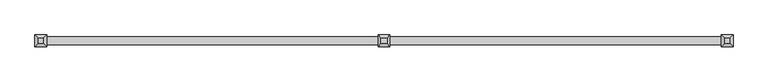
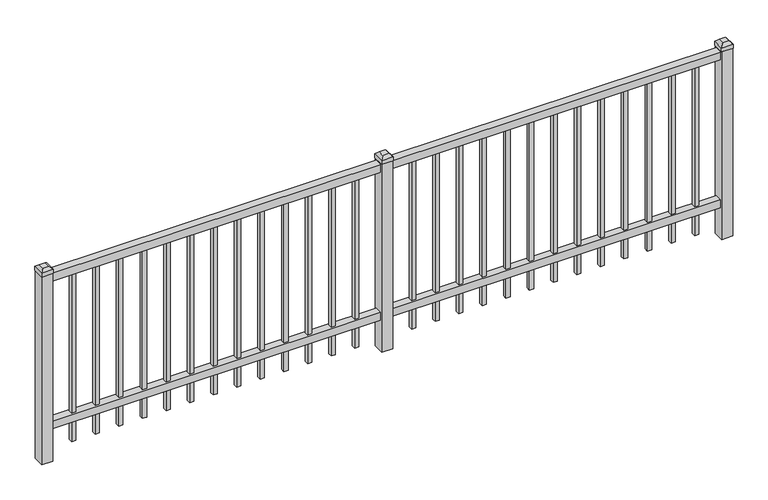
"""IFC4 building model written with IfcOpenShell, lengths in millimetres: railing geometry."""

import ifcopenshell
import ifcopenshell.guid

model = None  # the IFC model being written
_history = None  # IfcOwnerHistory: only IFC2X3 demands one
_inside = {}  # id of a spatial element -> (the spatial element, [elements in it])
_under = {}  # id of a project, library or spatial element -> (it, [spatial elements below it])
_declared = {}  # id of a project -> (the project, [libraries it declares])
_typed = {}  # id of a type object -> (the type object, [elements of that type])
_made_of = {}  # id of a material, layer set ... -> (it, [elements and type objects made of it])


def new_model(schema):
    """Start an empty IFC model of exactly this schema.

    Asked for "IFC4X3", IfcOpenShell would pick the latest addendum, in which some entities
    have other attributes; the version numbers below select the first issue.
    IFC2X3 requires an IfcOwnerHistory on every rooted entity: one is made here for all.
    """
    global model, _history
    if schema == "IFC4X3":
        model = ifcopenshell.file(schema_version=(4, 3, 0, 0))
    else:
        model = ifcopenshell.file(schema=schema)
    _inside.clear()
    _under.clear()
    _declared.clear()
    _typed.clear()
    _made_of.clear()
    _history = None
    if model.schema == "IFC2X3":
        org = make("IfcOrganization", Name="unknown")
        user = make(
            "IfcPersonAndOrganization",
            ThePerson=make("IfcPerson", FamilyName="unknown"),
            TheOrganization=org,
        )
        app = make(
            "IfcApplication",
            ApplicationDeveloper=org,
            Version="unknown",
            ApplicationFullName="unknown",
            ApplicationIdentifier="unknown",
        )
        _history = make(
            "IfcOwnerHistory",
            OwningUser=user,
            OwningApplication=app,
            ChangeAction="ADDED",
            CreationDate=0,
        )
    return model


def make(cls, **values):
    """One entity of the class cls with the attributes given. An attribute that is None is left unset."""
    return model.create_entity(
        cls, **{name: value for name, value in values.items() if value is not None}
    )


def rooted(cls, **values):
    """An entity with a GlobalId (a new one), such as an element, a storey or a relation."""
    return make(cls, GlobalId=ifcopenshell.guid.new(), OwnerHistory=_history, **values)


def si_unit(unit_type, name, prefix=None):
    """IfcSIUnit, for example si_unit("LENGTHUNIT", "METRE", prefix="MILLI")."""
    return make("IfcSIUnit", UnitType=unit_type, Prefix=prefix, Name=name)


def assignment(units):
    """IfcUnitAssignment: the units of a project."""
    return None if units is None else make("IfcUnitAssignment", Units=units)


def point(xyz):
    """IfcCartesianPoint."""
    return None if xyz is None else make("IfcCartesianPoint", Coordinates=xyz)


def direction(xyz):
    """IfcDirection."""
    return None if xyz is None else make("IfcDirection", DirectionRatios=xyz)


def frame(location, z_axis=None, x_axis=None):
    """IfcAxis2Placement3D, a coordinate frame: its origin and axes. An axis left out is left unset."""
    return make(
        "IfcAxis2Placement3D",
        Location=point(location),
        Axis=direction(z_axis),
        RefDirection=direction(x_axis),
    )


def origin():
    """The frame at (0, 0, 0) with its axes left unset."""
    return frame((0.0, 0.0, 0.0))


def origin_with_axes():
    """The frame at (0, 0, 0) with the z axis (0, 0, 1) and the x axis (1, 0, 0) written out."""
    return frame((0.0, 0.0, 0.0), z_axis=(0.0, 0.0, 1.0), x_axis=(1.0, 0.0, 0.0))


def place(relative_to, where):
    """IfcLocalPlacement: puts the frame where relative to a parent placement (None: the world)."""
    return make(
        "IfcLocalPlacement", PlacementRelTo=relative_to, RelativePlacement=where
    )


def context(
    kind, dimensions, precision=None, world=None, true_north=None, identifier=None
):
    """IfcGeometricRepresentationContext, for example the 3D "Model" context."""
    return make(
        "IfcGeometricRepresentationContext",
        ContextIdentifier=identifier,
        ContextType=kind,
        CoordinateSpaceDimension=dimensions,
        Precision=precision,
        WorldCoordinateSystem=world,
        TrueNorth=true_north,
    )


def project(units=None, contexts=None):
    """IfcProject with its units and contexts."""
    return rooted(
        "IfcProject",
        Name="project",
        RepresentationContexts=contexts,
        UnitsInContext=assignment(units),
    )


def spatial(cls, under=None, at=None, **own):
    """A site, building, storey or space (cls), placed at a placement, below another one or the project."""
    s = rooted(cls, ObjectPlacement=at, **own)
    if under is not None:
        _under.setdefault(under.id(), (under, []))[1].append(s)
    return s


def polyline(points):
    """IfcPolyline through the points."""
    return make("IfcPolyline", Points=[point(p) for p in points])


def outline(outer, holes=None, kind="AREA"):
    """IfcArbitraryClosedProfileDef: a profile drawn as a closed curve; with holes, ...WithVoids."""
    if holes is None:
        return make("IfcArbitraryClosedProfileDef", ProfileType=kind, OuterCurve=outer)
    return make(
        "IfcArbitraryProfileDefWithVoids",
        ProfileType=kind,
        OuterCurve=outer,
        InnerCurves=holes,
    )


def extrude(swept, where, along, depth):
    """IfcExtrudedAreaSolid: the profile swept, set in the frame where, extruded along a direction by depth."""
    return make(
        "IfcExtrudedAreaSolid",
        SweptArea=swept,
        Position=where,
        ExtrudedDirection=direction(along),
        Depth=depth,
    )


def faces_of(points, faces, orient=None, outer=None):
    """IfcFace entities. A face is a list of loops; a loop is a list of indices into points, from 0.

    orient and outer hold one flag for each loop. By default every Orientation is true, the
    first loop of a face is its IfcFaceOuterBound and the others are IfcFaceBound.
    """
    made = []
    for i, loops in enumerate(faces):
        bounds = []
        for j, loop in enumerate(loops):
            is_outer = j == 0 if outer is None else outer[i][j]
            bounds.append(
                make(
                    "IfcFaceOuterBound" if is_outer else "IfcFaceBound",
                    Bound=make("IfcPolyLoop", Polygon=[points[k] for k in loop]),
                    Orientation=True if orient is None else orient[i][j],
                )
            )
        made.append(make("IfcFace", Bounds=bounds))
    return made


def faceted_brep(points, faces, orient=None, outer=None, voids=None):
    """IfcFacetedBrep: a solid bounded by flat faces; with voids (closed shells), ...WithVoids."""
    shared = [point(p) for p in points]
    hull = make("IfcClosedShell", CfsFaces=faces_of(shared, faces, orient, outer))
    if voids is None:
        return make("IfcFacetedBrep", Outer=hull)
    return make(
        "IfcFacetedBrepWithVoids",
        Outer=hull,
        Voids=[
            make(cls, CfsFaces=faces_of(shared, fs, o, b)) for cls, fs, o, b in voids
        ],
    )


def shape(context_of_items, identifier, shape_type, items):
    """IfcShapeRepresentation: the items that make up one representation, for example the "Body"."""
    return make(
        "IfcShapeRepresentation",
        ContextOfItems=context_of_items,
        RepresentationIdentifier=identifier,
        RepresentationType=shape_type,
        Items=items,
    )


def source(mapping_origin, context_of_items, identifier, shape_type, items):
    """IfcRepresentationMap: a shape defined once, which mapped items show again and again."""
    return make(
        "IfcRepresentationMap",
        MappingOrigin=mapping_origin,
        MappedRepresentation=shape(context_of_items, identifier, shape_type, items),
    )


def transform(
    local_origin,
    x_axis=None,
    y_axis=None,
    z_axis=None,
    scale=None,
    scale2=None,
    scale3=None,
    uniform=True,
):
    """IfcCartesianTransformationOperator3D, or its non-uniform kind. x_axis, y_axis, z_axis: its Axis1, 2, 3."""
    if uniform:
        return make(
            "IfcCartesianTransformationOperator3D",
            Axis1=direction(x_axis),
            Axis2=direction(y_axis),
            LocalOrigin=point(local_origin),
            Scale=scale,
            Axis3=direction(z_axis),
        )
    return make(
        "IfcCartesianTransformationOperator3DnonUniform",
        Axis1=direction(x_axis),
        Axis2=direction(y_axis),
        LocalOrigin=point(local_origin),
        Scale=scale,
        Axis3=direction(z_axis),
        Scale2=scale2,
        Scale3=scale3,
    )


def mapped(mapping_source, mapping_target):
    """IfcMappedItem: shows the shape of a source again, moved by a transform."""
    return make(
        "IfcMappedItem", MappingSource=mapping_source, MappingTarget=mapping_target
    )


def made_of(thing, what):
    """Note that an element or type object is made of a material, layer set ...; save() writes the relation."""
    if what is not None:
        _made_of.setdefault(what.id(), (what, []))[1].append(thing)
    return thing


def element(
    cls,
    number,
    at=None,
    inside=None,
    cuts=None,
    type_object=None,
    material=None,
    context=None,
    identifier="Body",
    shape_type=None,
    held_by="IfcProductDefinitionShape",
    body=None,
    shapes=None,
    **own,
):
    """One element of the class cls, such as IfcWall. Its Tag is "e" and its number.

    at: its placement. inside: the storey or other place that contains it. cuts: it is an
    opening in that element (IfcRelVoidsElement). A single representation is given by context,
    identifier, shape_type and body (its items); several are given by shapes. held_by: the class
    of the entity that holds the representations. save() writes the other relations.
    """
    e = rooted(cls, Tag="e%d" % number, ObjectPlacement=at, **own)
    if body is not None:
        shapes = [shape(context, identifier, shape_type, body)]
    if shapes is not None:
        e.Representation = make(held_by, Representations=shapes)
    if inside is not None:
        _inside.setdefault(inside.id(), (inside, []))[1].append(e)
    if cuts is not None:
        rooted(
            "IfcRelVoidsElement", RelatingBuildingElement=cuts, RelatedOpeningElement=e
        )
    if type_object is not None:
        _typed.setdefault(type_object.id(), (type_object, []))[1].append(e)
    return made_of(e, material)


def aggregate(whole, parts):
    """IfcRelAggregates: a whole, such as a stair, and the parts it consists of."""
    return rooted("IfcRelAggregates", RelatingObject=whole, RelatedObjects=parts)


def save(model, path):
    """Write the relations noted so far, then the file.

    IfcRelAggregates (storeys below a building ...), IfcRelContainedInSpatialStructure (elements
    in a storey), IfcRelDefinesByType, IfcRelAssociatesMaterial and IfcRelDeclares: one each for
    every whole, place, type object, material and project.
    """
    for whole, parts in _under.values():
        aggregate(whole, parts)
    for where, things in _inside.values():
        rooted(
            "IfcRelContainedInSpatialStructure",
            RelatedElements=things,
            RelatingStructure=where,
        )
    for kind, things in _typed.values():
        rooted("IfcRelDefinesByType", RelatedObjects=things, RelatingType=kind)
    for what, things in _made_of.values():
        rooted("IfcRelAssociatesMaterial", RelatedObjects=things, RelatingMaterial=what)
    for by, libraries in _declared.values():
        rooted("IfcRelDeclares", RelatingContext=by, RelatedDefinitions=libraries)
    model.write(path)


def railing_d41b022b(model_context):
    return source(origin(), model_context, "Body", "SolidModel", [
        extrude(outline(polyline([(-91799.918087, 5443.2804826), (-91799.918087, 5478.2054826), (-88650.318087, 5478.2054826), (-88650.318087, 5443.2804826), (-91799.918087, 5443.2804826)])), frame((0.0, 0.0, 876.3), z_axis=(0.0, 0.0, 1.0), x_axis=(1.0, 0.0, 0.0)), (0.0, 0.0, 1.0), 38.1),
        extrude(outline(polyline([(-91799.918087, 5443.2804826), (-91799.918087, 5478.2054826), (-88650.318087, 5478.2054826), (-88650.318087, 5443.2804826), (-91799.918087, 5443.2804826)])), frame((0.0, 0.0, 152.4), z_axis=(0.0, 0.0, 1.0), x_axis=(1.0, 0.0, 0.0)), (0.0, 0.0, 1.0), 38.1),
        extrude(outline(polyline([(-88881.8285036, 5470.2679826), (-88881.8285036, 5451.2179826), (-88900.8785036, 5451.2179826), (-88900.8785036, 5470.2679826), (-88881.8285036, 5470.2679826)])), frame((0.0, 0.0, 50.8), z_axis=(0.0, 0.0, 1.0), x_axis=(1.0, 0.0, 0.0)), (0.0, 0.0, 1.0), 825.5),
        extrude(outline(polyline([(-88991.1014203, 5470.2679826), (-88991.1014203, 5451.2179826), (-89010.1514203, 5451.2179826), (-89010.1514203, 5470.2679826), (-88991.1014203, 5470.2679826)])), frame((0.0, 0.0, 50.8), z_axis=(0.0, 0.0, 1.0), x_axis=(1.0, 0.0, 0.0)), (0.0, 0.0, 1.0), 825.5),
        extrude(outline(polyline([(-89100.374337, 5470.2679826), (-89100.374337, 5451.2179826), (-89119.424337, 5451.2179826), (-89119.424337, 5470.2679826), (-89100.374337, 5470.2679826)])), frame((0.0, 0.0, 50.8), z_axis=(0.0, 0.0, 1.0), x_axis=(1.0, 0.0, 0.0)), (0.0, 0.0, 1.0), 825.5),
        extrude(outline(polyline([(-89209.6472536, 5470.2679826), (-89209.6472536, 5451.2179826), (-89228.6972536, 5451.2179826), (-89228.6972536, 5470.2679826), (-89209.6472536, 5470.2679826)])), frame((0.0, 0.0, 50.8), z_axis=(0.0, 0.0, 1.0), x_axis=(1.0, 0.0, 0.0)), (0.0, 0.0, 1.0), 825.5),
        extrude(outline(polyline([(-89318.9201703, 5470.2679826), (-89318.9201703, 5451.2179826), (-89337.9701703, 5451.2179826), (-89337.9701703, 5470.2679826), (-89318.9201703, 5470.2679826)])), frame((0.0, 0.0, 50.8), z_axis=(0.0, 0.0, 1.0), x_axis=(1.0, 0.0, 0.0)), (0.0, 0.0, 1.0), 825.5),
        extrude(outline(polyline([(-89428.193087, 5470.2679826), (-89428.193087, 5451.2179826), (-89447.243087, 5451.2179826), (-89447.243087, 5470.2679826), (-89428.193087, 5470.2679826)])), frame((0.0, 0.0, 50.8), z_axis=(0.0, 0.0, 1.0), x_axis=(1.0, 0.0, 0.0)), (0.0, 0.0, 1.0), 825.5),
        extrude(outline(polyline([(-89537.4660036, 5470.2679826), (-89537.4660036, 5451.2179826), (-89556.5160036, 5451.2179826), (-89556.5160036, 5470.2679826), (-89537.4660036, 5470.2679826)])), frame((0.0, 0.0, 50.8), z_axis=(0.0, 0.0, 1.0), x_axis=(1.0, 0.0, 0.0)), (0.0, 0.0, 1.0), 825.5),
        extrude(outline(polyline([(-89646.7389203, 5470.2679826), (-89646.7389203, 5451.2179826), (-89665.7889203, 5451.2179826), (-89665.7889203, 5470.2679826), (-89646.7389203, 5470.2679826)])), frame((0.0, 0.0, 50.8), z_axis=(0.0, 0.0, 1.0), x_axis=(1.0, 0.0, 0.0)), (0.0, 0.0, 1.0), 825.5),
        extrude(outline(polyline([(-89756.011837, 5470.2679826), (-89756.011837, 5451.2179826), (-89775.061837, 5451.2179826), (-89775.061837, 5470.2679826), (-89756.011837, 5470.2679826)])), frame((0.0, 0.0, 50.8), z_axis=(0.0, 0.0, 1.0), x_axis=(1.0, 0.0, 0.0)), (0.0, 0.0, 1.0), 825.5),
        extrude(outline(polyline([(-89865.2847536, 5470.2679826), (-89865.2847536, 5451.2179826), (-89884.3347536, 5451.2179826), (-89884.3347536, 5470.2679826), (-89865.2847536, 5470.2679826)])), frame((0.0, 0.0, 50.8), z_axis=(0.0, 0.0, 1.0), x_axis=(1.0, 0.0, 0.0)), (0.0, 0.0, 1.0), 825.5),
        extrude(outline(polyline([(-89974.5576703, 5470.2679826), (-89974.5576703, 5451.2179826), (-89993.6076703, 5451.2179826), (-89993.6076703, 5470.2679826), (-89974.5576703, 5470.2679826)])), frame((0.0, 0.0, 50.8), z_axis=(0.0, 0.0, 1.0), x_axis=(1.0, 0.0, 0.0)), (0.0, 0.0, 1.0), 825.5),
        extrude(outline(polyline([(-88772.555587, 5470.2679826), (-88772.555587, 5451.2179826), (-88791.605587, 5451.2179826), (-88791.605587, 5470.2679826), (-88772.555587, 5470.2679826)])), frame((0.0, 0.0, 50.8), z_axis=(0.0, 0.0, 1.0), x_axis=(1.0, 0.0, 0.0)), (0.0, 0.0, 1.0), 825.5),
        extrude(outline(polyline([(-90083.830587, 5470.2679826), (-90083.830587, 5451.2179826), (-90102.880587, 5451.2179826), (-90102.880587, 5470.2679826), (-90083.830587, 5470.2679826)])), frame((0.0, 0.0, 50.8), z_axis=(0.0, 0.0, 1.0), x_axis=(1.0, 0.0, 0.0)), (0.0, 0.0, 1.0), 825.5),
        faceted_brep([(-90252.105587, 5487.7304826, 939.8), (-90252.105587, 5487.7304826, 920.75), (-90252.105587, 5433.7554826, 920.75), (-90252.105587, 5433.7554826, 939.8), (-90239.405587, 5475.0304826, 952.5), (-90239.405587, 5446.4554826, 952.5), (-90198.130587, 5433.7554826, 920.75), (-90198.130587, 5433.7554826, 939.8), (-90210.830587, 5446.4554826, 952.5), (-90198.130587, 5487.7304826, 920.75), (-90198.130587, 5487.7304826, 939.8), (-90210.830587, 5475.0304826, 952.5)], [[[0, 1, 2, 3]], [[4, 0, 3, 5]], [[3, 2, 6, 7]], [[5, 3, 7, 8]], [[7, 6, 9, 10]], [[8, 7, 10, 11]], [[10, 9, 1, 0]], [[11, 10, 0, 4]], [[5, 8, 11, 4]], [[1, 9, 6, 2]]]),
        extrude(outline(polyline([(-90199.718087, 5486.1429826), (-90199.718087, 5435.3429826), (-90250.518087, 5435.3429826), (-90250.518087, 5486.1429826), (-90199.718087, 5486.1429826)])), origin_with_axes(), (0.0, 0.0, 1.0), 920.75),
        extrude(outline(polyline([(-90456.6285036, 5470.2679826), (-90456.6285036, 5451.2179826), (-90475.6785036, 5451.2179826), (-90475.6785036, 5470.2679826), (-90456.6285036, 5470.2679826)])), frame((0.0, 0.0, 50.8), z_axis=(0.0, 0.0, 1.0), x_axis=(1.0, 0.0, 0.0)), (0.0, 0.0, 1.0), 825.5),
        extrude(outline(polyline([(-90565.9014203, 5470.2679826), (-90565.9014203, 5451.2179826), (-90584.9514203, 5451.2179826), (-90584.9514203, 5470.2679826), (-90565.9014203, 5470.2679826)])), frame((0.0, 0.0, 50.8), z_axis=(0.0, 0.0, 1.0), x_axis=(1.0, 0.0, 0.0)), (0.0, 0.0, 1.0), 825.5),
        extrude(outline(polyline([(-90675.174337, 5470.2679826), (-90675.174337, 5451.2179826), (-90694.224337, 5451.2179826), (-90694.224337, 5470.2679826), (-90675.174337, 5470.2679826)])), frame((0.0, 0.0, 50.8), z_axis=(0.0, 0.0, 1.0), x_axis=(1.0, 0.0, 0.0)), (0.0, 0.0, 1.0), 825.5),
        extrude(outline(polyline([(-90784.4472536, 5470.2679826), (-90784.4472536, 5451.2179826), (-90803.4972536, 5451.2179826), (-90803.4972536, 5470.2679826), (-90784.4472536, 5470.2679826)])), frame((0.0, 0.0, 50.8), z_axis=(0.0, 0.0, 1.0), x_axis=(1.0, 0.0, 0.0)), (0.0, 0.0, 1.0), 825.5),
        extrude(outline(polyline([(-90893.7201703, 5470.2679826), (-90893.7201703, 5451.2179826), (-90912.7701703, 5451.2179826), (-90912.7701703, 5470.2679826), (-90893.7201703, 5470.2679826)])), frame((0.0, 0.0, 50.8), z_axis=(0.0, 0.0, 1.0), x_axis=(1.0, 0.0, 0.0)), (0.0, 0.0, 1.0), 825.5),
        extrude(outline(polyline([(-91002.993087, 5470.2679826), (-91002.993087, 5451.2179826), (-91022.043087, 5451.2179826), (-91022.043087, 5470.2679826), (-91002.993087, 5470.2679826)])), frame((0.0, 0.0, 50.8), z_axis=(0.0, 0.0, 1.0), x_axis=(1.0, 0.0, 0.0)), (0.0, 0.0, 1.0), 825.5),
        extrude(outline(polyline([(-91112.2660036, 5470.2679826), (-91112.2660036, 5451.2179826), (-91131.3160036, 5451.2179826), (-91131.3160036, 5470.2679826), (-91112.2660036, 5470.2679826)])), frame((0.0, 0.0, 50.8), z_axis=(0.0, 0.0, 1.0), x_axis=(1.0, 0.0, 0.0)), (0.0, 0.0, 1.0), 825.5),
        extrude(outline(polyline([(-91221.5389203, 5470.2679826), (-91221.5389203, 5451.2179826), (-91240.5889203, 5451.2179826), (-91240.5889203, 5470.2679826), (-91221.5389203, 5470.2679826)])), frame((0.0, 0.0, 50.8), z_axis=(0.0, 0.0, 1.0), x_axis=(1.0, 0.0, 0.0)), (0.0, 0.0, 1.0), 825.5),
        extrude(outline(polyline([(-91330.811837, 5470.2679826), (-91330.811837, 5451.2179826), (-91349.861837, 5451.2179826), (-91349.861837, 5470.2679826), (-91330.811837, 5470.2679826)])), frame((0.0, 0.0, 50.8), z_axis=(0.0, 0.0, 1.0), x_axis=(1.0, 0.0, 0.0)), (0.0, 0.0, 1.0), 825.5),
        extrude(outline(polyline([(-91440.0847536, 5470.2679826), (-91440.0847536, 5451.2179826), (-91459.1347536, 5451.2179826), (-91459.1347536, 5470.2679826), (-91440.0847536, 5470.2679826)])), frame((0.0, 0.0, 50.8), z_axis=(0.0, 0.0, 1.0), x_axis=(1.0, 0.0, 0.0)), (0.0, 0.0, 1.0), 825.5),
        extrude(outline(polyline([(-91549.3576703, 5470.2679826), (-91549.3576703, 5451.2179826), (-91568.4076703, 5451.2179826), (-91568.4076703, 5470.2679826), (-91549.3576703, 5470.2679826)])), frame((0.0, 0.0, 50.8), z_axis=(0.0, 0.0, 1.0), x_axis=(1.0, 0.0, 0.0)), (0.0, 0.0, 1.0), 825.5),
        extrude(outline(polyline([(-90347.355587, 5470.2679826), (-90347.355587, 5451.2179826), (-90366.405587, 5451.2179826), (-90366.405587, 5470.2679826), (-90347.355587, 5470.2679826)])), frame((0.0, 0.0, 50.8), z_axis=(0.0, 0.0, 1.0), x_axis=(1.0, 0.0, 0.0)), (0.0, 0.0, 1.0), 825.5),
        extrude(outline(polyline([(-91658.630587, 5470.2679826), (-91658.630587, 5451.2179826), (-91677.680587, 5451.2179826), (-91677.680587, 5470.2679826), (-91658.630587, 5470.2679826)])), frame((0.0, 0.0, 50.8), z_axis=(0.0, 0.0, 1.0), x_axis=(1.0, 0.0, 0.0)), (0.0, 0.0, 1.0), 825.5),
        faceted_brep([(-88677.305587, 5487.7304826, 939.8), (-88677.305587, 5487.7304826, 920.75), (-88677.305587, 5433.7554826, 920.75), (-88677.305587, 5433.7554826, 939.8), (-88664.605587, 5475.0304826, 952.5), (-88664.605587, 5446.4554826, 952.5), (-88623.330587, 5433.7554826, 920.75), (-88623.330587, 5433.7554826, 939.8), (-88636.030587, 5446.4554826, 952.5), (-88623.330587, 5487.7304826, 920.75), (-88623.330587, 5487.7304826, 939.8), (-88636.030587, 5475.0304826, 952.5)], [[[0, 1, 2, 3]], [[4, 0, 3, 5]], [[3, 2, 6, 7]], [[5, 3, 7, 8]], [[7, 6, 9, 10]], [[8, 7, 10, 11]], [[10, 9, 1, 0]], [[11, 10, 0, 4]], [[5, 8, 11, 4]], [[1, 9, 6, 2]]]),
        extrude(outline(polyline([(-88624.918087, 5486.1429826), (-88624.918087, 5435.3429826), (-88675.718087, 5435.3429826), (-88675.718087, 5486.1429826), (-88624.918087, 5486.1429826)])), origin_with_axes(), (0.0, 0.0, 1.0), 920.75),
        faceted_brep([(-91826.905587, 5487.7304826, 939.8), (-91826.905587, 5487.7304826, 920.75), (-91826.905587, 5433.7554826, 920.75), (-91826.905587, 5433.7554826, 939.8), (-91814.205587, 5475.0304826, 952.5), (-91814.205587, 5446.4554826, 952.5), (-91772.930587, 5433.7554826, 920.75), (-91772.930587, 5433.7554826, 939.8), (-91785.630587, 5446.4554826, 952.5), (-91772.930587, 5487.7304826, 920.75), (-91772.930587, 5487.7304826, 939.8), (-91785.630587, 5475.0304826, 952.5)], [[[0, 1, 2, 3]], [[4, 0, 3, 5]], [[3, 2, 6, 7]], [[5, 3, 7, 8]], [[7, 6, 9, 10]], [[8, 7, 10, 11]], [[10, 9, 1, 0]], [[11, 10, 0, 4]], [[5, 8, 11, 4]], [[1, 9, 6, 2]]]),
        extrude(outline(polyline([(-91774.518087, 5486.1429826), (-91774.518087, 5435.3429826), (-91825.318087, 5435.3429826), (-91825.318087, 5486.1429826), (-91774.518087, 5486.1429826)])), origin_with_axes(), (0.0, 0.0, 1.0), 920.75),
    ])


if __name__ == "__main__":
    model = new_model("IFC4")
    model_context = context("Model", 3, world=origin())
    ifc_project = project(units=[si_unit("LENGTHUNIT", "METRE", prefix="MILLI")], contexts=[model_context])
    site = spatial("IfcSite", under=ifc_project)
    building = spatial("IfcBuilding", under=site)
    placement = place(None, origin())
    railing_shape = railing_d41b022b(model_context)
    element("IfcRailing", 1, at=placement, inside=building, context=model_context, shape_type="MappedRepresentation", body=[
        mapped(railing_shape, transform((0.0, 0.0, 0.0), x_axis=(1.0, 0.0, 0.0), y_axis=(0.0, 1.0, 0.0), z_axis=(0.0, 0.0, 1.0))),
    ])
    save(model, "model.ifc")
